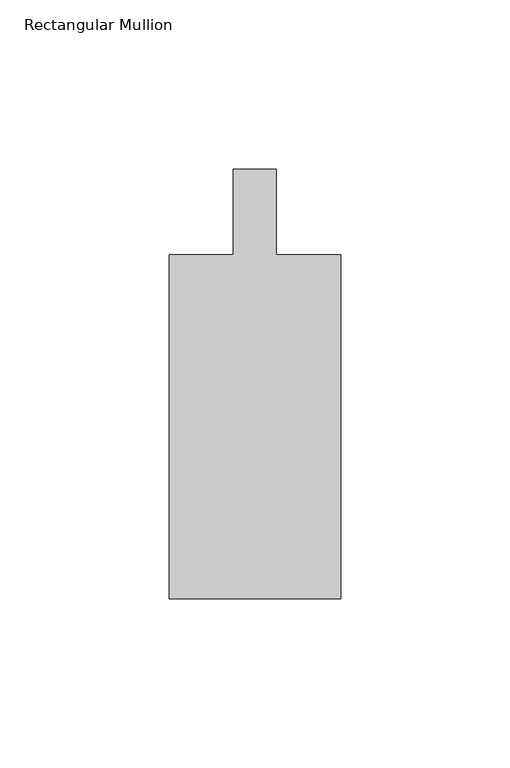
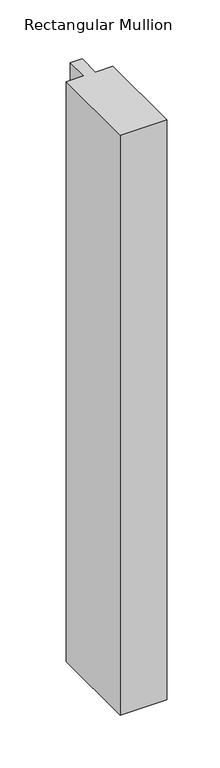
"""IFC4 building model written with IfcOpenShell, lengths in millimetres: member geometry, Rectangular Mullion."""

from ifc_helpers import new_model, si_unit, frame, origin, place, context, project, spatial, polyline, outline, extrude, source, transform, mapped, element, save


def rectangular_mullion_fd204eba(model_context):
    return source(origin(), model_context, "Body", "SweptSolid", [
        extrude(outline(polyline([(25.4001903, -152.4000274), (-25.3998097, -152.4000274), (-25.3998097, -50.8000274), (-6.3498097, -50.8000274), (-6.3498097, -25.4000549), (6.3498097, -25.4000549), (6.3498097, -50.8000274), (25.4001903, -50.8000274), (25.4001903, -152.4000274)])), frame((0.0, 0.0, -668.8666667), z_axis=(0.0, 0.0, 1.0), x_axis=(1.0, 0.0, 0.0)), (0.0, 0.0, 1.0), 668.8666667),
    ])


if __name__ == "__main__":
    model = new_model("IFC4")
    model_context = context("Model", 3, world=origin())
    ifc_project = project(units=[si_unit("LENGTHUNIT", "METRE", prefix="MILLI")], contexts=[model_context])
    site = spatial("IfcSite", under=ifc_project)
    building = spatial("IfcBuilding", under=site)
    placement = place(None, origin())
    rectangular_mullion_shape = rectangular_mullion_fd204eba(model_context)
    element("IfcMember", 1, ObjectType="Rectangular Mullion", at=placement, inside=building, context=model_context, shape_type="MappedRepresentation", body=[
        mapped(rectangular_mullion_shape, transform((0.0, 0.0, 0.0), x_axis=(1.0, 0.0, 0.0), y_axis=(0.0, 1.0, 0.0), z_axis=(0.0, 0.0, 1.0))),
    ])
    save(model, "model.ifc")
